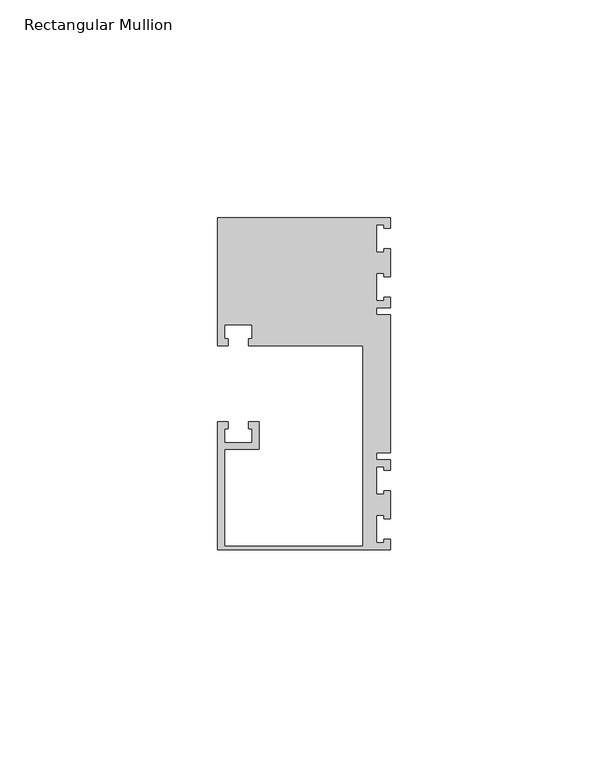
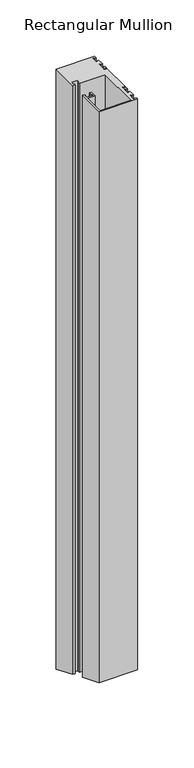
"""IFC4 building model written with IfcOpenShell, lengths in millimetres: member geometry, Rectangular Mullion."""

import ifcopenshell
import ifcopenshell.guid

model = None  # the IFC model being written
_history = None  # IfcOwnerHistory: only IFC2X3 demands one
_inside = {}  # id of a spatial element -> (the spatial element, [elements in it])
_under = {}  # id of a project, library or spatial element -> (it, [spatial elements below it])
_declared = {}  # id of a project -> (the project, [libraries it declares])
_typed = {}  # id of a type object -> (the type object, [elements of that type])
_made_of = {}  # id of a material, layer set ... -> (it, [elements and type objects made of it])


def new_model(schema):
    """Start an empty IFC model of exactly this schema.

    Asked for "IFC4X3", IfcOpenShell would pick the latest addendum, in which some entities
    have other attributes; the version numbers below select the first issue.
    IFC2X3 requires an IfcOwnerHistory on every rooted entity: one is made here for all.
    """
    global model, _history
    if schema == "IFC4X3":
        model = ifcopenshell.file(schema_version=(4, 3, 0, 0))
    else:
        model = ifcopenshell.file(schema=schema)
    _inside.clear()
    _under.clear()
    _declared.clear()
    _typed.clear()
    _made_of.clear()
    _history = None
    if model.schema == "IFC2X3":
        org = make("IfcOrganization", Name="unknown")
        user = make(
            "IfcPersonAndOrganization",
            ThePerson=make("IfcPerson", FamilyName="unknown"),
            TheOrganization=org,
        )
        app = make(
            "IfcApplication",
            ApplicationDeveloper=org,
            Version="unknown",
            ApplicationFullName="unknown",
            ApplicationIdentifier="unknown",
        )
        _history = make(
            "IfcOwnerHistory",
            OwningUser=user,
            OwningApplication=app,
            ChangeAction="ADDED",
            CreationDate=0,
        )
    return model


def make(cls, **values):
    """One entity of the class cls with the attributes given. An attribute that is None is left unset."""
    return model.create_entity(
        cls, **{name: value for name, value in values.items() if value is not None}
    )


def rooted(cls, **values):
    """An entity with a GlobalId (a new one), such as an element, a storey or a relation."""
    return make(cls, GlobalId=ifcopenshell.guid.new(), OwnerHistory=_history, **values)


def si_unit(unit_type, name, prefix=None):
    """IfcSIUnit, for example si_unit("LENGTHUNIT", "METRE", prefix="MILLI")."""
    return make("IfcSIUnit", UnitType=unit_type, Prefix=prefix, Name=name)


def assignment(units):
    """IfcUnitAssignment: the units of a project."""
    return None if units is None else make("IfcUnitAssignment", Units=units)


def point(xyz):
    """IfcCartesianPoint."""
    return None if xyz is None else make("IfcCartesianPoint", Coordinates=xyz)


def direction(xyz):
    """IfcDirection."""
    return None if xyz is None else make("IfcDirection", DirectionRatios=xyz)


def frame(location, z_axis=None, x_axis=None):
    """IfcAxis2Placement3D, a coordinate frame: its origin and axes. An axis left out is left unset."""
    return make(
        "IfcAxis2Placement3D",
        Location=point(location),
        Axis=direction(z_axis),
        RefDirection=direction(x_axis),
    )


def origin():
    """The frame at (0, 0, 0) with its axes left unset."""
    return frame((0.0, 0.0, 0.0))


def place(relative_to, where):
    """IfcLocalPlacement: puts the frame where relative to a parent placement (None: the world)."""
    return make(
        "IfcLocalPlacement", PlacementRelTo=relative_to, RelativePlacement=where
    )


def context(
    kind, dimensions, precision=None, world=None, true_north=None, identifier=None
):
    """IfcGeometricRepresentationContext, for example the 3D "Model" context."""
    return make(
        "IfcGeometricRepresentationContext",
        ContextIdentifier=identifier,
        ContextType=kind,
        CoordinateSpaceDimension=dimensions,
        Precision=precision,
        WorldCoordinateSystem=world,
        TrueNorth=true_north,
    )


def project(units=None, contexts=None):
    """IfcProject with its units and contexts."""
    return rooted(
        "IfcProject",
        Name="project",
        RepresentationContexts=contexts,
        UnitsInContext=assignment(units),
    )


def spatial(cls, under=None, at=None, **own):
    """A site, building, storey or space (cls), placed at a placement, below another one or the project."""
    s = rooted(cls, ObjectPlacement=at, **own)
    if under is not None:
        _under.setdefault(under.id(), (under, []))[1].append(s)
    return s


def faces_of(points, faces, orient=None, outer=None):
    """IfcFace entities. A face is a list of loops; a loop is a list of indices into points, from 0.

    orient and outer hold one flag for each loop. By default every Orientation is true, the
    first loop of a face is its IfcFaceOuterBound and the others are IfcFaceBound.
    """
    made = []
    for i, loops in enumerate(faces):
        bounds = []
        for j, loop in enumerate(loops):
            is_outer = j == 0 if outer is None else outer[i][j]
            bounds.append(
                make(
                    "IfcFaceOuterBound" if is_outer else "IfcFaceBound",
                    Bound=make("IfcPolyLoop", Polygon=[points[k] for k in loop]),
                    Orientation=True if orient is None else orient[i][j],
                )
            )
        made.append(make("IfcFace", Bounds=bounds))
    return made


def faceted_brep(points, faces, orient=None, outer=None, voids=None):
    """IfcFacetedBrep: a solid bounded by flat faces; with voids (closed shells), ...WithVoids."""
    shared = [point(p) for p in points]
    hull = make("IfcClosedShell", CfsFaces=faces_of(shared, faces, orient, outer))
    if voids is None:
        return make("IfcFacetedBrep", Outer=hull)
    return make(
        "IfcFacetedBrepWithVoids",
        Outer=hull,
        Voids=[
            make(cls, CfsFaces=faces_of(shared, fs, o, b)) for cls, fs, o, b in voids
        ],
    )


def shape(context_of_items, identifier, shape_type, items):
    """IfcShapeRepresentation: the items that make up one representation, for example the "Body"."""
    return make(
        "IfcShapeRepresentation",
        ContextOfItems=context_of_items,
        RepresentationIdentifier=identifier,
        RepresentationType=shape_type,
        Items=items,
    )


def source(mapping_origin, context_of_items, identifier, shape_type, items):
    """IfcRepresentationMap: a shape defined once, which mapped items show again and again."""
    return make(
        "IfcRepresentationMap",
        MappingOrigin=mapping_origin,
        MappedRepresentation=shape(context_of_items, identifier, shape_type, items),
    )


def transform(
    local_origin,
    x_axis=None,
    y_axis=None,
    z_axis=None,
    scale=None,
    scale2=None,
    scale3=None,
    uniform=True,
):
    """IfcCartesianTransformationOperator3D, or its non-uniform kind. x_axis, y_axis, z_axis: its Axis1, 2, 3."""
    if uniform:
        return make(
            "IfcCartesianTransformationOperator3D",
            Axis1=direction(x_axis),
            Axis2=direction(y_axis),
            LocalOrigin=point(local_origin),
            Scale=scale,
            Axis3=direction(z_axis),
        )
    return make(
        "IfcCartesianTransformationOperator3DnonUniform",
        Axis1=direction(x_axis),
        Axis2=direction(y_axis),
        LocalOrigin=point(local_origin),
        Scale=scale,
        Axis3=direction(z_axis),
        Scale2=scale2,
        Scale3=scale3,
    )


def mapped(mapping_source, mapping_target):
    """IfcMappedItem: shows the shape of a source again, moved by a transform."""
    return make(
        "IfcMappedItem", MappingSource=mapping_source, MappingTarget=mapping_target
    )


def made_of(thing, what):
    """Note that an element or type object is made of a material, layer set ...; save() writes the relation."""
    if what is not None:
        _made_of.setdefault(what.id(), (what, []))[1].append(thing)
    return thing


def element(
    cls,
    number,
    at=None,
    inside=None,
    cuts=None,
    type_object=None,
    material=None,
    context=None,
    identifier="Body",
    shape_type=None,
    held_by="IfcProductDefinitionShape",
    body=None,
    shapes=None,
    **own,
):
    """One element of the class cls, such as IfcWall. Its Tag is "e" and its number.

    at: its placement. inside: the storey or other place that contains it. cuts: it is an
    opening in that element (IfcRelVoidsElement). A single representation is given by context,
    identifier, shape_type and body (its items); several are given by shapes. held_by: the class
    of the entity that holds the representations. save() writes the other relations.
    """
    e = rooted(cls, Tag="e%d" % number, ObjectPlacement=at, **own)
    if body is not None:
        shapes = [shape(context, identifier, shape_type, body)]
    if shapes is not None:
        e.Representation = make(held_by, Representations=shapes)
    if inside is not None:
        _inside.setdefault(inside.id(), (inside, []))[1].append(e)
    if cuts is not None:
        rooted(
            "IfcRelVoidsElement", RelatingBuildingElement=cuts, RelatedOpeningElement=e
        )
    if type_object is not None:
        _typed.setdefault(type_object.id(), (type_object, []))[1].append(e)
    return made_of(e, material)


def aggregate(whole, parts):
    """IfcRelAggregates: a whole, such as a stair, and the parts it consists of."""
    return rooted("IfcRelAggregates", RelatingObject=whole, RelatedObjects=parts)


def save(model, path):
    """Write the relations noted so far, then the file.

    IfcRelAggregates (storeys below a building ...), IfcRelContainedInSpatialStructure (elements
    in a storey), IfcRelDefinesByType, IfcRelAssociatesMaterial and IfcRelDeclares: one each for
    every whole, place, type object, material and project.
    """
    for whole, parts in _under.values():
        aggregate(whole, parts)
    for where, things in _inside.values():
        rooted(
            "IfcRelContainedInSpatialStructure",
            RelatedElements=things,
            RelatingStructure=where,
        )
    for kind, things in _typed.values():
        rooted("IfcRelDefinesByType", RelatedObjects=things, RelatingType=kind)
    for what, things in _made_of.values():
        rooted("IfcRelAssociatesMaterial", RelatedObjects=things, RelatingMaterial=what)
    for by, libraries in _declared.values():
        rooted("IfcRelDeclares", RelatingContext=by, RelatedDefinitions=libraries)
    model.write(path)


def rectangular_mullion_6bbed4ba(model_context):
    return source(origin(), model_context, "Body", "Brep", [
        faceted_brep([(0.0, -38.1, 0.0), (0.0, -35.71875, 0.0), (-1.4999946, -35.71875, 0.0), (-1.4999946, -36.5125, 0.0), (-3.175, -36.5125, 0.0), (-3.175, -30.1625, 0.0), (-1.4999946, -30.1625, 0.0), (-1.4999946, -30.95625, 0.0), (0.0, -30.95625, 0.0), (0.0, -24.60625, 0.0), (-1.4999946, -24.60625, 0.0), (-1.4999946, -25.4, 0.0), (-3.175, -25.4, 0.0), (-3.175, -19.05, 0.0), (-1.4999946, -19.05, 0.0), (-1.4999946, -19.84375, 0.0), (0.0, -19.84375, 0.0), (0.0, -17.4625, 0.0), (-3.175, -17.4625, 0.0), (-3.175, -15.875, 0.0), (0.0, -15.875, 0.0), (0.0, 15.875, 0.0), (-3.175, 15.875, 0.0), (-3.175, 17.4625, 0.0), (0.0, 17.4625, 0.0), (0.0, 19.84375, 0.0), (-1.4999946, 19.84375, 0.0), (-1.4999946, 19.05, 0.0), (-3.175, 19.05, 0.0), (-3.175, 25.4, 0.0), (-1.4999946, 25.4, 0.0), (-1.4999946, 24.60625, 0.0), (0.0, 24.60625, 0.0), (0.0, 30.95625, 0.0), (-1.4999946, 30.95625, 0.0), (-1.4999946, 30.1625, 0.0), (-3.175, 30.1625, 0.0), (-3.175, 36.5125, 0.0), (-1.4999946, 36.5125, 0.0), (-1.4999946, 35.71875, 0.0), (0.0, 35.71875, 0.0), (0.0, 38.1, 0.0), (-39.6875, 38.1, 0.0), (-39.6875, 8.73125, 0.0), (-37.30625, 8.73125, 0.0), (-37.30625, 10.31875, 0.0), (-38.1, 10.31875, 0.0), (-38.1, 13.49375, 0.0), (-31.75, 13.49375, 0.0), (-31.75, 10.31875, 0.0), (-32.54375, 10.31875, 0.0), (-32.54375, 8.73125, 0.0), (-6.35, 8.73125, 0.0), (-6.35, -37.30625, 0.0), (-38.1, -37.30625, 0.0), (-38.1, -15.08125, 0.0), (-30.1625, -15.08125, 0.0), (-30.1625, -8.73125, 0.0), (-32.54375, -8.73125, 0.0), (-32.54375, -10.31875, 0.0), (-31.75, -10.31875, 0.0), (-31.75, -13.49375, 0.0), (-38.1, -13.49375, 0.0), (-38.1, -10.31875, 0.0), (-37.30625, -10.31875, 0.0), (-37.30625, -8.73125, 0.0), (-39.6875, -8.73125, 0.0), (-39.6875, -38.1, 0.0), (0.0, -38.1, -619.2184633), (0.0, -35.71875, -620.2048093), (-1.4999946, -35.71875, -620.2048093), (-1.4999946, -36.5125, -619.8760273), (-3.175, -36.5125, -619.8760273), (-3.175, -30.1625, -622.5062834), (-1.4999946, -30.1625, -622.5062834), (-1.4999946, -30.95625, -622.1775014), (0.0, -30.95625, -622.1775014), (0.0, -24.60625, -624.8077575), (-1.4999946, -24.60625, -624.8077575), (-1.4999946, -25.4, -624.4789755), (-3.175, -25.4, -624.4789755), (-3.175, -19.05, -627.1092316), (-1.4999946, -19.05, -627.1092316), (-1.4999946, -19.84375, -626.7804496), (0.0, -19.84375, -626.7804496), (0.0, -17.4625, -627.7667957), (-3.175, -17.4625, -627.7667957), (-3.175, -15.875, -628.4243597), (0.0, -15.875, -628.4243597), (0.0, 15.875, -641.5756403), (-3.175, 15.875, -641.5756403), (-3.175, 17.4625, -642.2332043), (0.0, 17.4625, -642.2332043), (0.0, 19.84375, -643.2195504), (-1.4999946, 19.84375, -643.2195504), (-1.4999946, 19.05, -642.8907684), (-3.175, 19.05, -642.8907684), (-3.175, 25.4, -645.5210245), (-1.4999946, 25.4, -645.5210245), (-1.4999946, 24.60625, -645.1922425), (0.0, 24.60625, -645.1922425), (0.0, 30.95625, -647.8224986), (-1.4999946, 30.95625, -647.8224986), (-1.4999946, 30.1625, -647.4937166), (-3.175, 30.1625, -647.4937166), (-3.175, 36.5125, -650.1239727), (-1.4999946, 36.5125, -650.1239727), (-1.4999946, 35.71875, -649.7951907), (0.0, 35.71875, -649.7951907), (0.0, 38.1, -650.7815367), (-39.6875, 38.1, -650.7815367), (-39.6875, 8.73125, -638.6166022), (-37.30625, 8.73125, -638.6166022), (-37.30625, 10.31875, -639.2741662), (-38.1, 10.31875, -639.2741662), (-38.1, 13.49375, -640.5892943), (-31.75, 13.49375, -640.5892943), (-31.75, 10.31875, -639.2741662), (-32.54375, 10.31875, -639.2741662), (-32.54375, 8.73125, -638.6166022), (-6.35, 8.73125, -638.6166022), (-6.35, -37.30625, -619.5472453), (-38.1, -37.30625, -619.5472453), (-38.1, -15.08125, -628.7531417), (-30.1625, -15.08125, -628.7531417), (-30.1625, -8.73125, -631.3833978), (-32.54375, -8.73125, -631.3833978), (-32.54375, -10.31875, -630.7258338), (-31.75, -10.31875, -630.7258338), (-31.75, -13.49375, -629.4107057), (-38.1, -13.49375, -629.4107057), (-38.1, -10.31875, -630.7258338), (-37.30625, -10.31875, -630.7258338), (-37.30625, -8.73125, -631.3833978), (-39.6875, -8.73125, -631.3833978), (-39.6875, -38.1, -619.2184633)], [[[0, 1, 2, 3, 4, 5, 6, 7, 8, 9, 10, 11, 12, 13, 14, 15, 16, 17, 18, 19, 20, 21, 22, 23, 24, 25, 26, 27, 28, 29, 30, 31, 32, 33, 34, 35, 36, 37, 38, 39, 40, 41, 42, 43, 44, 45, 46, 47, 48, 49, 50, 51, 52, 53, 54, 55, 56, 57, 58, 59, 60, 61, 62, 63, 64, 65, 66, 67]], [[1, 0, 68, 69]], [[2, 1, 69, 70]], [[3, 2, 70, 71]], [[4, 3, 71, 72]], [[5, 4, 72, 73]], [[6, 5, 73, 74]], [[7, 6, 74, 75]], [[8, 7, 75, 76]], [[9, 8, 76, 77]], [[10, 9, 77, 78]], [[11, 10, 78, 79]], [[12, 11, 79, 80]], [[13, 12, 80, 81]], [[14, 13, 81, 82]], [[15, 14, 82, 83]], [[16, 15, 83, 84]], [[17, 16, 84, 85]], [[18, 17, 85, 86]], [[19, 18, 86, 87]], [[20, 19, 87, 88]], [[21, 20, 88, 89]], [[22, 21, 89, 90]], [[23, 22, 90, 91]], [[24, 23, 91, 92]], [[25, 24, 92, 93]], [[26, 25, 93, 94]], [[27, 26, 94, 95]], [[28, 27, 95, 96]], [[29, 28, 96, 97]], [[30, 29, 97, 98]], [[31, 30, 98, 99]], [[32, 31, 99, 100]], [[33, 32, 100, 101]], [[34, 33, 101, 102]], [[35, 34, 102, 103]], [[36, 35, 103, 104]], [[37, 36, 104, 105]], [[38, 37, 105, 106]], [[39, 38, 106, 107]], [[40, 39, 107, 108]], [[41, 40, 108, 109]], [[42, 41, 109, 110]], [[43, 42, 110, 111]], [[44, 43, 111, 112]], [[45, 44, 112, 113]], [[46, 45, 113, 114]], [[47, 46, 114, 115]], [[48, 47, 115, 116]], [[49, 48, 116, 117]], [[50, 49, 117, 118]], [[51, 50, 118, 119]], [[52, 51, 119, 120]], [[53, 52, 120, 121]], [[54, 53, 121, 122]], [[55, 54, 122, 123]], [[56, 55, 123, 124]], [[57, 56, 124, 125]], [[58, 57, 125, 126]], [[59, 58, 126, 127]], [[60, 59, 127, 128]], [[61, 60, 128, 129]], [[62, 61, 129, 130]], [[63, 62, 130, 131]], [[64, 63, 131, 132]], [[65, 64, 132, 133]], [[66, 65, 133, 134]], [[67, 66, 134, 135]], [[0, 67, 135, 68]], [[68, 135, 134, 133, 132, 131, 130, 129, 128, 127, 126, 125, 124, 123, 122, 121, 120, 119, 118, 117, 116, 115, 114, 113, 112, 111, 110, 109, 108, 107, 106, 105, 104, 103, 102, 101, 100, 99, 98, 97, 96, 95, 94, 93, 92, 91, 90, 89, 88, 87, 86, 85, 84, 83, 82, 81, 80, 79, 78, 77, 76, 75, 74, 73, 72, 71, 70, 69]]]),
    ])


if __name__ == "__main__":
    model = new_model("IFC4")
    model_context = context("Model", 3, world=origin())
    ifc_project = project(units=[si_unit("LENGTHUNIT", "METRE", prefix="MILLI")], contexts=[model_context])
    site = spatial("IfcSite", under=ifc_project)
    building = spatial("IfcBuilding", under=site)
    placement = place(None, origin())
    rectangular_mullion_shape = rectangular_mullion_6bbed4ba(model_context)
    element("IfcMember", 1, ObjectType="Rectangular Mullion", at=placement, inside=building, context=model_context, shape_type="MappedRepresentation", body=[
        mapped(rectangular_mullion_shape, transform((0.0, 0.0, 0.0), x_axis=(1.0, 0.0, 0.0), y_axis=(0.0, 1.0, 0.0), z_axis=(0.0, 0.0, 1.0))),
    ])
    save(model, "model.ifc")
